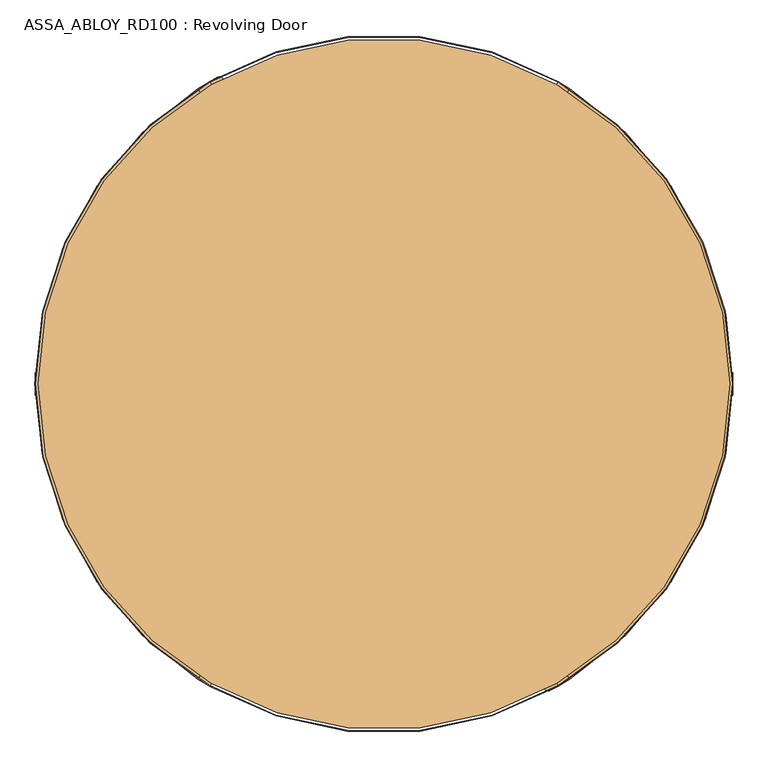
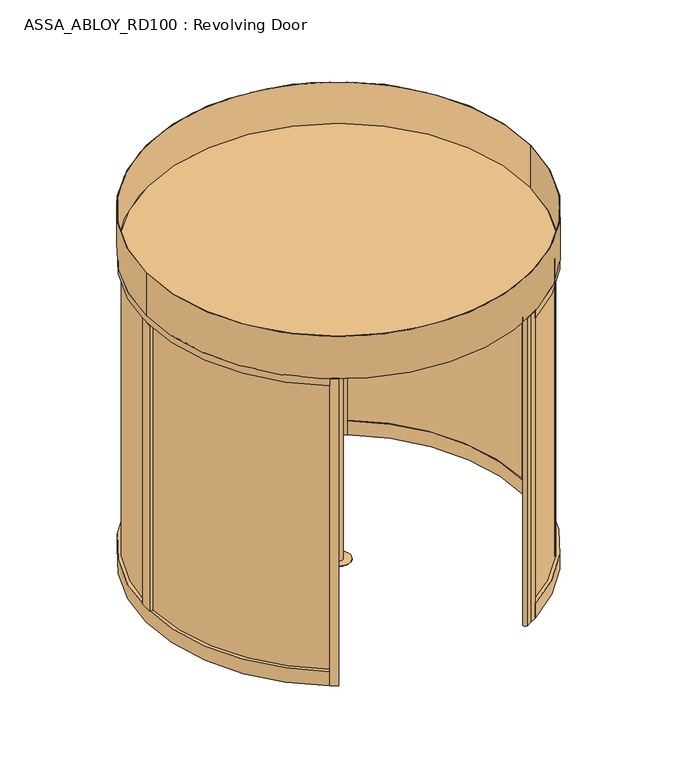
"""IFC4 building model written with IfcOpenShell, lengths in millimetres: door geometry, ASSA_ABLOY_RD100 : Revolving Door."""

from ifc_helpers import new_model, si_unit, point, frame, frame_2d, origin, origin_with_axes, origin_2d, place, context, project, spatial, polyline, circle_curve, ellipse_curve, trimmed, segment, composite_curve, outline, extrude, source, transform, mapped, element, save
from ifc_brep_helpers import plane_surface, cylinder_surface, advanced_brep


def assa_abloy_rd100_revolving_door_0bf3d5e2(model_context):
    return source(origin(), model_context, "Body", "SolidModel", [
        advanced_brep(
        [(-33.0, 20.0, 28.0), (-33.0, -20.0, 28.0), (-1446.0, -20.0, 28.0), (-1454.0, -12.0, 28.0), (-1454.0, 12.0, 28.0), (-1446.0, 20.0, 28.0), (-33.0, 20.0, 110.0), (-1372.0, 20.0, 110.0), (-1372.0, -20.0, 110.0), (-33.0, -20.0, 110.0), (-33.0, -20.0, 2489.0), (-33.0, 20.0, 2489.0), (-33.0, 20.0, 2571.0), (-33.0, -20.0, 2571.0), (-1372.0, -20.0, 2489.0), (-1372.0, 20.0, 2489.0), (-1454.0, -12.0, 2571.0), (-1454.0, 12.0, 2571.0), (-1446.0, 20.0, 2571.0), (-1446.0, -20.0, 2571.0)],
        [
            (0, 1),
            (1, 2),
            (2, 3, circle_curve(frame((-1446.0, -12.0, 28.0), z_axis=(0.0, 0.0, -1.0), x_axis=(0.0, 1.0, 0.0)), 8.0)),
            (3, 4),
            (4, 5, circle_curve(frame((-1446.0, 12.0, 28.0), z_axis=(0.0, 0.0, -1.0), x_axis=(0.0, 1.0, 0.0)), 8.0)),
            (5, 0),
            (6, 7),
            (7, 8),
            (8, 9),
            (9, 6),
            (10, 11),
            (11, 12),
            (12, 13),
            (13, 10),
            (10, 14),
            (14, 15),
            (15, 11),
            (7, 15),
            (14, 8),
            (16, 17),
            (17, 4),
            (3, 16),
            (17, 18, circle_curve(frame((-1446.0, 12.0, 2571.0), z_axis=(0.0, 0.0, -1.0), x_axis=(0.0, 1.0, 0.0)), 8.0)),
            (18, 5),
            (19, 16, circle_curve(frame((-1446.0, -12.0, 2571.0), z_axis=(0.0, 0.0, -1.0), x_axis=(0.0, 1.0, 0.0)), 8.0)),
            (2, 19),
            (6, 0),
            (18, 12),
            (1, 9),
            (13, 19),
        ],
        [
            plane_surface(frame((-1372.0, 20.0, 28.0), z_axis=(0.0, 0.0, -1.0), x_axis=(1.0, 0.0, 0.0))),
            plane_surface(frame((-1372.0, -20.0, 110.0), z_axis=(0.0, 0.0, 1.0), x_axis=(1.0, 0.0, 0.0))),
            plane_surface(frame((-33.0, 0.0, 2571.0), z_axis=(1.0, 0.0, 0.0), x_axis=(0.0, 1.0, 0.0))),
            plane_surface(frame((-33.0, -20.0, 2489.0), z_axis=(0.0, 0.0, -1.0), x_axis=(-1.0, 0.0, 0.0))),
            plane_surface(frame((-1372.0, -20.0, 2571.0), z_axis=(1.0, 0.0, 0.0), x_axis=(0.0, 0.0, -1.0))),
            plane_surface(frame((-1454.0, 12.0, 2571.0), z_axis=(-1.0, 0.0, 0.0), x_axis=(0.0, 0.0, -1.0))),
            cylinder_surface(frame((-1446.0, 12.0, 2571.0), z_axis=(0.0, 0.0, 1.0), x_axis=(0.0, 1.0, 0.0)), 8.0),
            cylinder_surface(frame((-1446.0, -12.0, 2571.0), z_axis=(0.0, 0.0, 1.0), x_axis=(0.0, 1.0, 0.0)), 8.0),
            plane_surface(frame((-1372.0, 20.0, 110.0), z_axis=(0.0, 1.0, 0.0), x_axis=(1.0, 0.0, 0.0))),
            plane_surface(frame((-1372.0, -20.0, 28.0), z_axis=(0.0, -1.0, 0.0), x_axis=(1.0, 0.0, 0.0))),
            plane_surface(frame((-33.0, 0.0, 28.0), z_axis=(1.0, 0.0, 0.0), x_axis=(0.0, 1.0, 0.0))),
            plane_surface(frame((-1454.0, 0.0, 2571.0), z_axis=(0.0, 0.0, 1.0), x_axis=(0.0, 1.0, 0.0))),
        ],
        [
            (0, [[1, 2, 3, 4, 5, 6]]),
            (1, [[7, 8, 9, 10]]),
            (2, [[11, 12, 13, 14]]),
            (3, [[-11, 15, 16, 17]]),
            (4, [[-8, 18, -16, 19]]),
            (5, [[20, 21, -4, 22]]),
            (6, [[23, 24, -5, -21]]),
            (7, [[25, -22, -3, 26]]),
            (8, [[-7, 27, -6, -24, 28, -12, -17, -18]]),
            (9, [[29, -9, -19, -15, -14, 30, -26, -2]]),
            (10, [[-27, -10, -29, -1]]),
            (11, [[-28, -23, -20, -25, -30, -13]]),
        ],
    ),
        extrude(outline(polyline([(-33.0, -17.0), (-26.0, -17.0), (-26.0, -20.0), (-33.0, -20.0), (-33.0, -17.0)])), origin_with_axes(), (0.0, 0.0, 1.0), 2600.0),
        extrude(outline(polyline([(-103.0, -20.0), (-103.0, 20.0), (-33.0, 20.0), (-33.0, -20.0), (-103.0, -20.0)])), frame((0.0, 0.0, 110.0), z_axis=(0.0, 0.0, 1.0), x_axis=(1.0, 0.0, 0.0)), (0.0, 0.0, 1.0), 2379.0),
        extrude(outline(polyline([(-1500.0, 1.7499965), (-1454.0, 1.7499965), (-1454.0, -1.7499965), (-1500.0, -1.7499965), (-1500.0, 1.7499965)])), origin_with_axes(), (0.0, 0.0, 1.0), 2600.0),
        extrude(outline(polyline([(-1500.0, 1.7499965), (-33.0, 1.7499965), (-33.0, -1.7499965), (-1500.0, -1.7499965), (-1500.0, 1.7499965)])), frame((0.0, 0.0, 2570.0), z_axis=(0.0, 0.0, 1.0), x_axis=(1.0, 0.0, 0.0)), (0.0, 0.0, 1.0), 30.0),
        extrude(outline(polyline([(-26.0, 17.0), (-33.0, 17.0), (-33.0, 20.0), (-26.0, 20.0), (-26.0, 17.0)])), origin_with_axes(), (0.0, 0.0, 1.0), 2600.0),
        extrude(outline(polyline([(-1372.0, 1.7499965), (-103.0, 1.7499965), (-103.0, -1.7499965), (-1372.0, -1.7499965), (-1372.0, 1.7499965)])), frame((0.0, 0.0, 110.0), z_axis=(0.0, 0.0, 1.0), x_axis=(1.0, 0.0, 0.0)), (0.0, 0.0, 1.0), 2379.0),
        extrude(outline(polyline([(-1500.0, 1.7499965), (-33.0, 1.7499965), (-33.0, -1.7499965), (-1500.0, -1.7499965), (-1500.0, 1.7499965)])), frame((0.0, 0.0, -2.0), z_axis=(0.0, 0.0, 1.0), x_axis=(1.0, 0.0, 0.0)), (0.0, 0.0, 1.0), 30.0),
        extrude(outline(polyline([(28.0, -1415.4407922), (47.8848654, -1422.768158), (47.8848654, -1426.3412198), (28.0, -1433.6685856), (28.0, -1430.8463846), (33.6340452, -1428.842363), (33.6340452, -1420.2721931), (28.0, -1418.2681716), (28.0, -1415.4407922)]), holes=[polyline([(35.9539462, -1421.126621), (35.9539462, -1428.0034703), (45.4562191, -1424.5546889), (35.9539462, -1421.126621)])]), frame((0.0, -22.0, 0.0), z_axis=(0.0, 1.0, 0.0), x_axis=(0.0, 0.0, 1.0)), (0.0, 0.0, 1.0), 2.0),
        extrude(outline(polyline([(33.6858287, -1397.8758278), (36.999973, -1399.0383674), (38.7709688, -1402.505273), (39.3172847, -1405.2731013), (39.7703904, -1407.7923687), (40.8500765, -1410.1355723), (42.794547, -1410.8009903), (45.0290052, -1409.4442625), (45.8963789, -1405.8556657), (45.2361392, -1401.8761034), (43.5764779, -1398.5386566), (46.7870552, -1398.5386566), (47.804601, -1401.7466447), (48.2162799, -1405.7262069), (46.6239371, -1411.269631), (42.5408079, -1413.4523057), (39.0195296, -1412.1292372), (37.1087183, -1408.061643), (36.6685585, -1405.4931812), (36.2283987, -1403.2405988), (35.2574581, -1401.1977395), (33.3129875, -1400.5271432), (30.8946979, -1401.9330653), (29.9884865, -1405.8660224), (30.6772071, -1409.6772883), (32.6398019, -1413.4523057), (29.2790525, -1413.4523057), (28.0750861, -1409.9051357), (27.6685856, -1405.9747678), (28.147583, -1402.4949163), (29.4810082, -1399.9678813), (31.3944087, -1398.4247329), (33.6858287, -1397.8758278)])), frame((0.0, -22.0, 0.0), z_axis=(0.0, 1.0, 0.0), x_axis=(0.0, 0.0, 1.0)), (0.0, 0.0, 1.0), 2.0),
        extrude(outline(polyline([(33.6858287, -1378.9852056), (36.999973, -1380.1477453), (38.7709688, -1383.6146508), (39.3172847, -1386.3824791), (39.7703904, -1388.9017466), (40.8500765, -1391.2449501), (42.794547, -1391.9103681), (45.0290052, -1390.5536403), (45.8963789, -1386.9650435), (45.2361392, -1382.9854813), (43.5764779, -1379.6480344), (46.7870552, -1379.6480344), (47.804601, -1382.8560225), (48.2162799, -1386.8355848), (46.6239371, -1392.3790088), (42.5408079, -1394.5616835), (39.0195296, -1393.238615), (37.1087183, -1389.1710208), (36.6685585, -1386.602559), (36.2283987, -1384.3499766), (35.2574581, -1382.3071174), (33.3129875, -1381.636521), (30.8946979, -1383.0424431), (29.9884865, -1386.9754002), (30.6772071, -1390.7866661), (32.6398019, -1394.5616835), (29.2790525, -1394.5616835), (28.0750861, -1391.0145135), (27.6685856, -1387.0841456), (28.147583, -1383.6042941), (29.4810082, -1381.0772591), (31.3944087, -1379.5341107), (33.6858287, -1378.9852056)])), frame((0.0, -22.0, 0.0), z_axis=(0.0, 1.0, 0.0), x_axis=(0.0, 0.0, 1.0)), (0.0, 0.0, 1.0), 2.0),
        extrude(outline(polyline([(28.0, -1358.7689257), (47.8848654, -1366.0962915), (47.8848654, -1369.6693533), (28.0, -1376.996719), (28.0, -1374.1745181), (33.6340452, -1372.1704965), (33.6340452, -1363.6003266), (28.0, -1361.596305), (28.0, -1358.7689257)]), holes=[polyline([(35.9539462, -1364.4547544), (35.9539462, -1371.3316037), (45.4562191, -1367.8828224), (35.9539462, -1364.4547544)])]), frame((0.0, -22.0, 0.0), z_axis=(0.0, 1.0, 0.0), x_axis=(0.0, 0.0, 1.0)), (0.0, 0.0, 1.0), 2.0),
        extrude(outline(polyline([(28.0, -1330.2672852), (47.8848654, -1337.594651), (47.8848654, -1341.1677128), (28.0, -1348.4950786), (28.0, -1345.6728776), (33.6340452, -1343.668856), (33.6340452, -1335.0986861), (28.0, -1333.0946645), (28.0, -1330.2672852)]), holes=[polyline([(35.9539462, -1335.953114), (35.9539462, -1342.8299633), (45.4562191, -1339.3811819), (35.9539462, -1335.953114)])]), frame((0.0, -22.0, 0.0), z_axis=(0.0, 1.0, 0.0), x_axis=(0.0, 0.0, 1.0)), (0.0, 0.0, 1.0), 2.0),
        extrude(outline(polyline([(34.1311668, -1312.0394919), (37.561824, -1313.2097991), (39.4441543, -1316.4100196), (41.0597997, -1314.4370681), (43.4521975, -1313.696564), (45.5960346, -1314.2014532), (47.0615077, -1315.824866), (47.7269258, -1317.9402222), (47.8848654, -1321.2673123), (47.8848654, -1327.2845554), (28.0, -1327.2845554), (28.0, -1320.1177185), (28.3754304, -1316.6482237), (29.6311804, -1314.1419022), (31.5083324, -1312.6091105), (34.1311668, -1312.0394919)]), holes=[polyline([(41.5595105, -1317.6631804), (39.9309193, -1321.0498216), (39.9309193, -1324.63324), (45.5649645, -1324.63324), (45.5649645, -1321.3294525), (45.4795217, -1319.0069623), (41.5595105, -1317.6631804)]), polyline([(34.0172431, -1314.6908073), (32.3187442, -1315.0507027), (31.148437, -1316.1821722), (30.4985541, -1318.0645026), (30.319901, -1321.0083948), (30.319901, -1324.63324), (37.6110183, -1324.63324), (37.6110183, -1320.3352092), (37.5126296, -1318.0308433), (37.0828266, -1316.4203763), (35.8995735, -1315.0636485), (34.0172431, -1314.6908073)])]), frame((0.0, -22.0, 0.0), z_axis=(0.0, 1.0, 0.0), x_axis=(0.0, 0.0, 1.0)), (0.0, 0.0, 1.0), 2.0),
        extrude(outline(polyline([(28.0, -1295.8001851), (30.319901, -1295.8001851), (30.319901, -1305.7426179), (47.8848654, -1305.7426179), (47.8848654, -1308.3939332), (28.0, -1308.3939332), (28.0, -1295.8001851)])), frame((0.0, -22.0, 0.0), z_axis=(0.0, 1.0, 0.0), x_axis=(0.0, 0.0, 1.0)), (0.0, 0.0, 1.0), 2.0),
        extrude(outline(polyline([(45.5390727, -1278.3905712), (47.5197917, -1281.2464314), (48.2162799, -1285.0343947), (47.5275593, -1288.7861095), (45.5390727, -1291.6678615), (42.2611769, -1293.5113543), (37.9372544, -1294.143113), (33.5770834, -1293.5035867), (30.3561494, -1291.6782182), (28.3573062, -1288.7990554), (27.6685856, -1285.0343947), (28.3443603, -1281.2593773), (30.3561494, -1278.3905712), (33.571905, -1276.5677918), (37.9372544, -1275.9153197), (42.292247, -1276.554846), (45.5390727, -1278.3905712)]), holes=[polyline([(37.9372544, -1278.5666351), (32.0339349, -1280.3169175), (29.9884865, -1285.024038), (32.0339349, -1289.7337477), (37.9372544, -1291.4917976), (43.8250388, -1289.7674069), (45.8963789, -1285.024038), (43.8250388, -1280.2962041), (37.9372544, -1278.5666351)])]), frame((0.0, -22.0, 0.0), z_axis=(0.0, 1.0, 0.0), x_axis=(0.0, 0.0, 1.0)), (0.0, 0.0, 1.0), 2.0),
        extrude(outline(polyline([(47.8848654, -1257.0246975), (47.8848654, -1260.1938479), (38.9884595, -1265.6259375), (47.8848654, -1271.1149889), (47.8848654, -1274.2582476), (36.4407111, -1266.9671302), (28.0, -1266.9671302), (28.0, -1264.3158148), (36.720342, -1264.3158148), (47.8848654, -1257.0246975)])), frame((0.0, -22.0, 0.0), z_axis=(0.0, 1.0, 0.0), x_axis=(0.0, 0.0, 1.0)), (0.0, 0.0, 1.0), 2.0),
        extrude(outline(polyline([(28.0, -1213.9153197), (28.0, -1211.0879404), (33.6340452, -1209.0839188), (33.6340452, -1200.5137489), (28.0, -1198.5097273), (28.0, -1195.6875264), (47.8848654, -1203.0148921), (47.8848654, -1206.5879539), (28.0, -1213.9153197)]), holes=[polyline([(35.9539462, -1208.229491), (45.4562191, -1204.801423), (35.9539462, -1201.3526417), (35.9539462, -1208.229491)])]), frame((0.0, 20.0, 0.0), z_axis=(0.0, 1.0, 0.0), x_axis=(0.0, 0.0, 1.0)), (0.0, 0.0, 1.0), 2.0),
        extrude(outline(polyline([(33.6858287, -1231.4802842), (31.3944087, -1230.931379), (29.4810082, -1229.3882306), (28.147583, -1226.8611956), (27.6685856, -1223.3813442), (28.0750861, -1219.4509762), (29.2790525, -1215.9038062), (32.6398019, -1215.9038062), (30.6772071, -1219.6788237), (29.9884865, -1223.4900895), (30.8946979, -1227.4230466), (33.3129875, -1228.8289688), (35.2574581, -1228.1583724), (36.2283987, -1226.1155132), (36.6685585, -1223.8629308), (37.1087183, -1221.294469), (39.0195296, -1217.2268747), (42.5408079, -1215.9038062), (46.6239371, -1218.0864809), (48.2162799, -1223.629905), (47.804601, -1227.6094673), (46.7870552, -1230.8174553), (43.5764779, -1230.8174553), (45.2361392, -1227.4800085), (45.8963789, -1223.5004462), (45.0290052, -1219.9118494), (42.794547, -1218.5551216), (40.8500765, -1219.2205396), (39.7703904, -1221.5637432), (39.3172847, -1224.0830106), (38.7709688, -1226.8508389), (36.999973, -1230.3177445), (33.6858287, -1231.4802842)])), frame((0.0, 20.0, 0.0), z_axis=(0.0, 1.0, 0.0), x_axis=(0.0, 0.0, 1.0)), (0.0, 0.0, 1.0), 2.0),
        extrude(outline(polyline([(33.6858287, -1250.3709063), (31.3944087, -1249.8220012), (29.4810082, -1248.2788528), (28.147583, -1245.7518178), (27.6685856, -1242.2719663), (28.0750861, -1238.3415984), (29.2790525, -1234.7944284), (32.6398019, -1234.7944284), (30.6772071, -1238.5694458), (29.9884865, -1242.3807117), (30.8946979, -1246.3136688), (33.3129875, -1247.7195909), (35.2574581, -1247.0489946), (36.2283987, -1245.0061353), (36.6685585, -1242.7535529), (37.1087183, -1240.1850911), (39.0195296, -1236.1174969), (42.5408079, -1234.7944284), (46.6239371, -1236.9771031), (48.2162799, -1242.5205272), (47.804601, -1246.5000894), (46.7870552, -1249.7080775), (43.5764779, -1249.7080775), (45.2361392, -1246.3706307), (45.8963789, -1242.3910684), (45.0290052, -1238.8024716), (42.794547, -1237.4457438), (40.8500765, -1238.1111618), (39.7703904, -1240.4543654), (39.3172847, -1242.9736328), (38.7709688, -1245.7414611), (36.999973, -1249.2083667), (33.6858287, -1250.3709063)])), frame((0.0, 20.0, 0.0), z_axis=(0.0, 1.0, 0.0), x_axis=(0.0, 0.0, 1.0)), (0.0, 0.0, 1.0), 2.0),
        extrude(outline(polyline([(28.0, -1270.5871862), (28.0, -1267.7598069), (33.6340452, -1265.7557853), (33.6340452, -1257.1856154), (28.0, -1255.1815938), (28.0, -1252.3593929), (47.8848654, -1259.6867587), (47.8848654, -1263.2598204), (28.0, -1270.5871862)]), holes=[polyline([(35.9539462, -1264.9013575), (45.4562191, -1261.4732895), (35.9539462, -1258.0245082), (35.9539462, -1264.9013575)])]), frame((0.0, 20.0, 0.0), z_axis=(0.0, 1.0, 0.0), x_axis=(0.0, 0.0, 1.0)), (0.0, 0.0, 1.0), 2.0),
        extrude(outline(polyline([(28.0, -1299.0888267), (28.0, -1296.2614474), (33.6340452, -1294.2574258), (33.6340452, -1285.6872559), (28.0, -1283.6832343), (28.0, -1280.8610334), (47.8848654, -1288.1883991), (47.8848654, -1291.7614609), (28.0, -1299.0888267)]), holes=[polyline([(35.9539462, -1293.402998), (45.4562191, -1289.97493), (35.9539462, -1286.5261487), (35.9539462, -1293.402998)])]), frame((0.0, 20.0, 0.0), z_axis=(0.0, 1.0, 0.0), x_axis=(0.0, 0.0, 1.0)), (0.0, 0.0, 1.0), 2.0),
        extrude(outline(polyline([(34.1311668, -1317.31662), (31.5083324, -1316.7470015), (29.6311804, -1315.2142098), (28.3754304, -1312.7078882), (28.0, -1309.2383934), (28.0, -1302.0715565), (47.8848654, -1302.0715565), (47.8848654, -1308.0887996), (47.7269258, -1311.4158898), (47.0615077, -1313.5312459), (45.5960346, -1315.1546587), (43.4521975, -1315.6595479), (41.0597997, -1314.9190438), (39.4441543, -1312.9460923), (37.561824, -1316.1463128), (34.1311668, -1317.31662)]), holes=[polyline([(41.5595105, -1311.6929315), (45.4795217, -1310.3491496), (45.5649645, -1308.0266594), (45.5649645, -1304.7228719), (39.9309193, -1304.7228719), (39.9309193, -1308.3062904), (41.5595105, -1311.6929315)]), polyline([(34.0172431, -1314.6653046), (35.8995735, -1314.2924634), (37.0828266, -1312.9357356), (37.5126296, -1311.3252686), (37.6110183, -1309.0209027), (37.6110183, -1304.7228719), (30.319901, -1304.7228719), (30.319901, -1308.3477172), (30.4985541, -1311.2916094), (31.148437, -1313.1739397), (32.3187442, -1314.3054093), (34.0172431, -1314.6653046)])]), frame((0.0, 20.0, 0.0), z_axis=(0.0, 1.0, 0.0), x_axis=(0.0, 0.0, 1.0)), (0.0, 0.0, 1.0), 2.0),
        extrude(outline(polyline([(28.0, -1333.5559268), (28.0, -1320.9621787), (47.8848654, -1320.9621787), (47.8848654, -1323.6134941), (30.319901, -1323.6134941), (30.319901, -1333.5559268), (28.0, -1333.5559268)])), frame((0.0, 20.0, 0.0), z_axis=(0.0, 1.0, 0.0), x_axis=(0.0, 0.0, 1.0)), (0.0, 0.0, 1.0), 2.0),
        extrude(outline(polyline([(45.5390727, -1350.9655408), (42.292247, -1352.801266), (37.9372544, -1353.4407922), (33.571905, -1352.7883201), (30.3561494, -1350.9655408), (28.3443603, -1348.0967347), (27.6685856, -1344.3217172), (28.3573062, -1340.5570565), (30.3561494, -1337.6778937), (33.5770834, -1335.8525252), (37.9372544, -1335.2129989), (42.2611769, -1335.8447577), (45.5390727, -1337.6882504), (47.5275593, -1340.5700024), (48.2162799, -1344.3217172), (47.5197917, -1348.1096805), (45.5390727, -1350.9655408)]), holes=[polyline([(37.9372544, -1350.7894769), (43.8250388, -1349.0599078), (45.8963789, -1344.3320739), (43.8250388, -1339.588705), (37.9372544, -1337.8643143), (32.0339349, -1339.6223643), (29.9884865, -1344.3320739), (32.0339349, -1349.0391944), (37.9372544, -1350.7894769)])]), frame((0.0, 20.0, 0.0), z_axis=(0.0, 1.0, 0.0), x_axis=(0.0, 0.0, 1.0)), (0.0, 0.0, 1.0), 2.0),
        extrude(outline(polyline([(47.8848654, -1372.3314144), (36.720342, -1365.0402971), (28.0, -1365.0402971), (28.0, -1362.3889817), (36.4407111, -1362.3889817), (47.8848654, -1355.0978644), (47.8848654, -1358.241123), (38.9884595, -1363.7301744), (47.8848654, -1369.162264), (47.8848654, -1372.3314144)])), frame((0.0, 20.0, 0.0), z_axis=(0.0, 1.0, 0.0), x_axis=(0.0, 0.0, 1.0)), (0.0, 0.0, 1.0), 2.0),
        advanced_brep(
        [(-1400.5, 20.0, 2544.5), (-1425.5, 20.0, 2544.5), (-1400.5, 80.0, 2544.5), (-1425.5, 80.0, 2544.5), (-1400.5, 80.0, 55.0), (-1425.5, 80.0, 55.0), (-1400.5, 20.0, 55.0), (-1425.5, 20.0, 55.0)],
        [
            (0, 1, circle_curve(frame((-1413.0, 20.0, 2544.5), z_axis=(0.0, -1.0, 0.0), x_axis=(-1.0, 0.0, 0.0)), 12.5)),
            (1, 0, circle_curve(frame((-1413.0, 20.0, 2544.5), z_axis=(0.0, -1.0, 0.0), x_axis=(-1.0, 0.0, 0.0)), 12.5)),
            (0, 2),
            (2, 3, ellipse_curve(frame((-1413.0, 80.0, 2544.5), z_axis=(0.0, -0.7071067811865475, 0.7071067811865475), x_axis=(0.0, -0.7071067811865476, -0.7071067811865474)), 17.6776695, 12.5)),
            (3, 1),
            (3, 2, ellipse_curve(frame((-1413.0, 80.0, 2544.5), z_axis=(0.0, -0.7071067811865475, 0.7071067811865475), x_axis=(0.0, -0.7071067811865476, -0.7071067811865474)), 17.6776695, 12.5)),
            (2, 4),
            (4, 5, ellipse_curve(frame((-1413.0, 80.0, 55.0), z_axis=(0.0, 0.7071067811865475, 0.7071067811865475), x_axis=(0.0, -0.7071067811865474, 0.7071067811865476)), 17.6776695, 12.5)),
            (5, 3),
            (5, 4, ellipse_curve(frame((-1413.0, 80.0, 55.0), z_axis=(0.0, 0.7071067811865475, 0.7071067811865475), x_axis=(0.0, -0.7071067811865474, 0.7071067811865476)), 17.6776695, 12.5)),
            (6, 7, circle_curve(frame((-1413.0, 20.0, 55.0), z_axis=(0.0, -1.0, 0.0), x_axis=(-1.0, 0.0, 0.0)), 12.5)),
            (7, 6, circle_curve(frame((-1413.0, 20.0, 55.0), z_axis=(0.0, -1.0, 0.0), x_axis=(-1.0, 0.0, 0.0)), 12.5)),
            (4, 6),
            (7, 5),
        ],
        [
            plane_surface(frame((-1413.0, 20.0, 2544.5), z_axis=(0.0, -1.0, 0.0), x_axis=(-1.0, 0.0, 0.0))),
            cylinder_surface(frame((-1413.0, 20.0, 2544.5), z_axis=(0.0, -1.0, 0.0), x_axis=(-1.0, 0.0, 0.0)), 12.5),
            cylinder_surface(frame((-1413.0, 80.0, 2544.5), z_axis=(0.0, 0.0, 1.0), x_axis=(-1.0, 0.0, 0.0)), 12.5),
            plane_surface(frame((-1413.0, 20.0, 55.0), z_axis=(0.0, -1.0, 0.0), x_axis=(-1.0, 0.0, 0.0))),
            cylinder_surface(frame((-1413.0, 80.0, 55.0), z_axis=(0.0, 1.0, 0.0), x_axis=(-1.0, 0.0, 0.0)), 12.5),
        ],
        [
            (0, [[1, 2]]),
            (1, [[-1, 3, 4, 5]]),
            (1, [[-2, -5, 6, -3]]),
            (2, [[-4, 7, 8, 9]]),
            (2, [[-6, -9, 10, -7]]),
            (3, [[11, 12]]),
            (4, [[-8, 13, -12, 14]]),
            (4, [[-10, -14, -11, -13]]),
        ],
    ),
        extrude(outline(composite_curve([segment(polyline([(-750.0, 1299.0381057), (-770.0, 1333.6791218)]), True, "CONTINUOUS"), segment(trimmed(circle_curve(origin_2d(), 1540.0), [point((-770.0, 1333.6791218))], [point((-735.0991998, 1353.2291626))], False, "CARTESIAN"), True, "CONTINUOUS"), segment(trimmed(circle_curve(frame_2d((-725.5459259, 1335.642735)), 20.0136823), [point((-735.0991998, 1353.2291626))], [point((-715.0922698, 1318.5761433))], False, "CARTESIAN"), True, "CONTINUOUS"), segment(trimmed(circle_curve(origin_2d(), 1500.0), [point((-715.0922698, 1318.5761433))], [point((-750.0, 1299.0381057))], True, "CARTESIAN"), True, "CONTINUOUS")], self_intersect=False)), origin_with_axes(), (0.0, 0.0, 1.0), 2600.0),
        extrude(outline(composite_curve([segment(polyline([(750.0, -1299.0381057), (770.0, -1333.6791218)]), True, "CONTINUOUS"), segment(trimmed(circle_curve(origin_2d(), 1540.0), [point((770.0, -1333.6791218))], [point((735.0991998, -1353.2291626))], False, "CARTESIAN"), True, "CONTINUOUS"), segment(trimmed(circle_curve(frame_2d((725.5459259, -1335.642735)), 20.0136823), [point((735.0991998, -1353.2291626))], [point((715.0922698, -1318.5761433))], False, "CARTESIAN"), True, "CONTINUOUS"), segment(trimmed(circle_curve(origin_2d(), 1500.0), [point((715.0922698, -1318.5761433))], [point((750.0, -1299.0381057))], True, "CARTESIAN"), True, "CONTINUOUS")], self_intersect=False)), origin_with_axes(), (0.0, 0.0, 1.0), 2600.0),
        extrude(outline(composite_curve([segment(trimmed(circle_curve(origin_2d(), 1526.0), [point((-1526.0, 0.0))], [point((1526.0, 0.0))], False, "CARTESIAN"), True, "CONTINUOUS"), segment(trimmed(circle_curve(origin_2d(), 1526.0), [point((1526.0, 0.0))], [point((-1526.0, 0.0))], False, "CARTESIAN"), True, "CONTINUOUS")], self_intersect=False)), frame((0.0, 0.0, 2600.0), z_axis=(0.0, 0.0, 1.0), x_axis=(1.0, 0.0, 0.0)), (0.0, 0.0, 1.0), 16.0),
        extrude(outline(composite_curve([segment(polyline([(-821.3768867, 1302.4599245), (-801.361284, 1267.7918838)]), True, "CONTINUOUS"), segment(trimmed(circle_curve(frame_2d((0.0, -0.2065754)), 1500.0), [point((-801.361284, 1267.7918838))], [point((-801.361284, -1268.2050346))], True, "CARTESIAN"), True, "CONTINUOUS"), segment(polyline([(-801.361284, -1268.2050346), (-821.3768867, -1302.8730753)]), True, "CONTINUOUS"), segment(trimmed(circle_curve(frame_2d((0.0, -0.2065754)), 1540.0), [point((-821.3768867, -1302.8730753))], [point((-821.3768867, 1302.4599245))], False, "CARTESIAN"), True, "CONTINUOUS")], self_intersect=False)), frame((0.0, 0.0, 2543.0), z_axis=(0.0, 0.0, 1.0), x_axis=(1.0, 0.0, 0.0)), (0.0, 0.0, 1.0), 60.0),
        extrude(outline(composite_curve([segment(polyline([(-821.3768867, -1302.8730753), (-801.361284, -1268.2050346)]), True, "CONTINUOUS"), segment(trimmed(circle_curve(frame_2d((0.0, -0.2065754)), 1500.0), [point((-801.361284, -1268.2050346))], [point((-750.0, -1299.2446811))], True, "CARTESIAN"), True, "CONTINUOUS"), segment(polyline([(-750.0, -1299.2446811), (-770.0, -1333.8856972)]), True, "CONTINUOUS"), segment(trimmed(circle_curve(frame_2d((0.0, -0.2065754)), 1540.0), [point((-770.0, -1333.8856972))], [point((-821.3768867, -1302.8730753))], False, "CARTESIAN"), True, "CONTINUOUS")], self_intersect=False)), frame((0.0, 0.0, 3.0), z_axis=(0.0, 0.0, 1.0), x_axis=(1.0, 0.0, 0.0)), (0.0, 0.0, 1.0), 2600.0),
        extrude(outline(composite_curve([segment(polyline([(-770.0, 1333.4725464), (-750.0, 1298.8315303)]), True, "CONTINUOUS"), segment(trimmed(circle_curve(frame_2d((0.0, -0.2065754)), 1500.0), [point((-750.0, 1298.8315303))], [point((-801.361284, 1267.7918838))], True, "CARTESIAN"), True, "CONTINUOUS"), segment(polyline([(-801.361284, 1267.7918838), (-821.3768867, 1302.4599245)]), True, "CONTINUOUS"), segment(trimmed(circle_curve(frame_2d((0.0, -0.2065754)), 1540.0), [point((-821.3768867, 1302.4599245))], [point((-770.0, 1333.4725464))], False, "CARTESIAN"), True, "CONTINUOUS")], self_intersect=False)), frame((0.0, 0.0, 3.0), z_axis=(0.0, 0.0, 1.0), x_axis=(1.0, 0.0, 0.0)), (0.0, 0.0, 1.0), 2600.0),
        extrude(outline(composite_curve([segment(polyline([(-1512.1736011, -50.2065754), (-1504.1692059, -50.2065754)]), True, "CONTINUOUS"), segment(trimmed(circle_curve(frame_2d((0.0, -0.2065754)), 1505.0), [point((-1504.1692059, -50.2065754))], [point((-803.8632798, -1272.5386183))], True, "CARTESIAN"), True, "CONTINUOUS"), segment(polyline([(-803.8632798, -1272.5386183), (-807.8664455, -1279.4723047)]), True, "CONTINUOUS"), segment(trimmed(circle_curve(frame_2d((0.0, -0.2065754)), 1513.0), [point((-807.8664455, -1279.4723047))], [point((-1512.1736011, -50.2065754))], False, "CARTESIAN"), True, "CONTINUOUS")], self_intersect=False)), frame((0.0, 0.0, 123.0), z_axis=(0.0, 0.0, 1.0), x_axis=(1.0, 0.0, 0.0)), (0.0, 0.0, 1.0), 2420.0),
        extrude(outline(composite_curve([segment(polyline([(-807.8664455, 1279.0591539), (-803.8632798, 1272.1254675)]), True, "CONTINUOUS"), segment(trimmed(circle_curve(frame_2d((0.0, -0.2065754)), 1505.0), [point((-803.8632798, 1272.1254675))], [point((-1504.1692059, 49.7934246))], True, "CARTESIAN"), True, "CONTINUOUS"), segment(polyline([(-1504.1692059, 49.7934246), (-1512.1736011, 49.7934246)]), True, "CONTINUOUS"), segment(trimmed(circle_curve(frame_2d((0.0, -0.2065754)), 1513.0), [point((-1512.1736011, 49.7934246))], [point((-807.8664455, 1279.0591539))], False, "CARTESIAN"), True, "CONTINUOUS")], self_intersect=False)), frame((0.0, 0.0, 123.0), z_axis=(0.0, 0.0, 1.0), x_axis=(1.0, 0.0, 0.0)), (0.0, 0.0, 1.0), 2420.0),
        extrude(outline(polyline([(-1540.0, -50.2065754), (-1540.0, 49.7934246), (-1500.0, 49.7934246), (-1500.0, -50.2065754), (-1540.0, -50.2065754)])), frame((0.0, 0.0, 123.0), z_axis=(0.0, 0.0, 1.0), x_axis=(1.0, 0.0, 0.0)), (0.0, 0.0, 1.0), 2420.0),
        extrude(outline(composite_curve([segment(polyline([(-821.3768867, 1302.4599245), (-801.361284, 1267.7918838)]), True, "CONTINUOUS"), segment(trimmed(circle_curve(frame_2d((0.0, -0.2065754)), 1500.0), [point((-801.361284, 1267.7918838))], [point((-801.361284, -1268.2050346))], True, "CARTESIAN"), True, "CONTINUOUS"), segment(polyline([(-801.361284, -1268.2050346), (-821.3768867, -1302.8730753)]), True, "CONTINUOUS"), segment(trimmed(circle_curve(frame_2d((0.0, -0.2065754)), 1540.0), [point((-821.3768867, -1302.8730753))], [point((-821.3768867, 1302.4599245))], False, "CARTESIAN"), True, "CONTINUOUS")], self_intersect=False)), frame((0.0, 0.0, 3.0), z_axis=(0.0, 0.0, 1.0), x_axis=(1.0, 0.0, 0.0)), (0.0, 0.0, 1.0), 120.0),
        extrude(outline(composite_curve([segment(trimmed(circle_curve(origin_2d(), 1540.0), [point((821.3768867, 1302.6664999))], [point((821.3768867, -1302.6664999))], False, "CARTESIAN"), True, "CONTINUOUS"), segment(polyline([(821.3768867, -1302.6664999), (801.361284, -1267.9984592)]), True, "CONTINUOUS"), segment(trimmed(circle_curve(origin_2d(), 1500.0), [point((801.361284, -1267.9984592))], [point((801.361284, 1267.9984592))], True, "CARTESIAN"), True, "CONTINUOUS"), segment(polyline([(801.361284, 1267.9984592), (821.3768867, 1302.6664999)]), True, "CONTINUOUS")], self_intersect=False)), frame((0.0, 0.0, 2540.0), z_axis=(0.0, 0.0, 1.0), x_axis=(1.0, 0.0, 0.0)), (0.0, 0.0, 1.0), 60.0),
        extrude(outline(composite_curve([segment(trimmed(circle_curve(origin_2d(), 1540.0), [point((821.3768867, -1302.6664999))], [point((770.0, -1333.6791218))], False, "CARTESIAN"), True, "CONTINUOUS"), segment(polyline([(770.0, -1333.6791218), (750.0, -1299.0381057)]), True, "CONTINUOUS"), segment(trimmed(circle_curve(origin_2d(), 1500.0), [point((750.0, -1299.0381057))], [point((801.361284, -1267.9984592))], True, "CARTESIAN"), True, "CONTINUOUS"), segment(polyline([(801.361284, -1267.9984592), (821.3768867, -1302.6664999)]), True, "CONTINUOUS")], self_intersect=False)), origin_with_axes(), (0.0, 0.0, 1.0), 2600.0),
        extrude(outline(composite_curve([segment(trimmed(circle_curve(origin_2d(), 1540.0), [point((770.0, 1333.6791218))], [point((821.3768867, 1302.6664999))], False, "CARTESIAN"), True, "CONTINUOUS"), segment(polyline([(821.3768867, 1302.6664999), (801.361284, 1267.9984592)]), True, "CONTINUOUS"), segment(trimmed(circle_curve(origin_2d(), 1500.0), [point((801.361284, 1267.9984592))], [point((750.0, 1299.0381057))], True, "CARTESIAN"), True, "CONTINUOUS"), segment(polyline([(750.0, 1299.0381057), (770.0, 1333.6791218)]), True, "CONTINUOUS")], self_intersect=False)), origin_with_axes(), (0.0, 0.0, 1.0), 2600.0),
        extrude(outline(composite_curve([segment(trimmed(circle_curve(origin_2d(), 1513.0), [point((1512.1736011, -50.0))], [point((807.8664455, -1279.2657293))], False, "CARTESIAN"), True, "CONTINUOUS"), segment(polyline([(807.8664455, -1279.2657293), (803.8632798, -1272.3320429)]), True, "CONTINUOUS"), segment(trimmed(circle_curve(origin_2d(), 1505.0), [point((803.8632798, -1272.3320429))], [point((1504.1692059, -50.0))], True, "CARTESIAN"), True, "CONTINUOUS"), segment(polyline([(1504.1692059, -50.0), (1512.1736011, -50.0)]), True, "CONTINUOUS")], self_intersect=False)), frame((0.0, 0.0, 120.0), z_axis=(0.0, 0.0, 1.0), x_axis=(1.0, 0.0, 0.0)), (0.0, 0.0, 1.0), 2420.0),
        extrude(outline(composite_curve([segment(trimmed(circle_curve(origin_2d(), 1513.0), [point((807.8664455, 1279.2657293))], [point((1512.1736011, 50.0))], False, "CARTESIAN"), True, "CONTINUOUS"), segment(polyline([(1512.1736011, 50.0), (1504.1692059, 50.0)]), True, "CONTINUOUS"), segment(trimmed(circle_curve(origin_2d(), 1505.0), [point((1504.1692059, 50.0))], [point((803.8632798, 1272.3320429))], True, "CARTESIAN"), True, "CONTINUOUS"), segment(polyline([(803.8632798, 1272.3320429), (807.8664455, 1279.2657293)]), True, "CONTINUOUS")], self_intersect=False)), frame((0.0, 0.0, 120.0), z_axis=(0.0, 0.0, 1.0), x_axis=(1.0, 0.0, 0.0)), (0.0, 0.0, 1.0), 2420.0),
        extrude(outline(polyline([(1540.0, -50.0), (1500.0, -50.0), (1500.0, 50.0), (1540.0, 50.0), (1540.0, -50.0)])), frame((0.0, 0.0, 120.0), z_axis=(0.0, 0.0, 1.0), x_axis=(1.0, 0.0, 0.0)), (0.0, 0.0, 1.0), 2420.0),
        extrude(outline(composite_curve([segment(trimmed(circle_curve(origin_2d(), 1540.0), [point((821.3768867, 1302.6664999))], [point((821.3768867, -1302.6664999))], False, "CARTESIAN"), True, "CONTINUOUS"), segment(polyline([(821.3768867, -1302.6664999), (801.361284, -1267.9984592)]), True, "CONTINUOUS"), segment(trimmed(circle_curve(origin_2d(), 1500.0), [point((801.361284, -1267.9984592))], [point((801.361284, 1267.9984592))], True, "CARTESIAN"), True, "CONTINUOUS"), segment(polyline([(801.361284, 1267.9984592), (821.3768867, 1302.6664999)]), True, "CONTINUOUS")], self_intersect=False)), origin_with_axes(), (0.0, 0.0, 1.0), 120.0),
        extrude(outline(composite_curve([segment(trimmed(circle_curve(origin_2d(), 1541.0), [point((-1541.0, 0.0))], [point((1541.0, 0.0))], False, "CARTESIAN"), True, "CONTINUOUS"), segment(trimmed(circle_curve(origin_2d(), 1541.0), [point((1541.0, 0.0))], [point((-1541.0, 0.0))], False, "CARTESIAN"), True, "CONTINUOUS")], self_intersect=False), holes=[composite_curve([segment(trimmed(circle_curve(origin_2d(), 1537.0), [point((-1537.0, 0.0))], [point((1537.0, 0.0))], True, "CARTESIAN"), True, "CONTINUOUS"), segment(trimmed(circle_curve(origin_2d(), 1537.0), [point((1537.0, 0.0))], [point((-1537.0, 0.0))], True, "CARTESIAN"), True, "CONTINUOUS")], self_intersect=False)]), frame((0.0, 0.0, 2600.0), z_axis=(0.0, 0.0, 1.0), x_axis=(1.0, 0.0, 0.0)), (0.0, 0.0, 1.0), 360.0),
        extrude(outline(composite_curve([segment(trimmed(circle_curve(origin_2d(), 34.0), [point((-34.0, 0.0))], [point((34.0, 0.0))], False, "CARTESIAN"), True, "CONTINUOUS"), segment(trimmed(circle_curve(origin_2d(), 34.0), [point((34.0, 0.0))], [point((-34.0, 0.0))], False, "CARTESIAN"), True, "CONTINUOUS")], self_intersect=False)), origin_with_axes(), (0.0, 0.0, 1.0), 2600.0),
        extrude(outline(composite_curve([segment(trimmed(circle_curve(origin_2d(), 94.0), [point((-94.0, 0.0))], [point((94.0, 0.0))], False, "CARTESIAN"), True, "CONTINUOUS"), segment(trimmed(circle_curve(origin_2d(), 94.0), [point((94.0, 0.0))], [point((-94.0, 0.0))], False, "CARTESIAN"), True, "CONTINUOUS")], self_intersect=False)), origin_with_axes(), (0.0, 0.0, 1.0), 3.0),
    ])


if __name__ == "__main__":
    model = new_model("IFC4")
    model_context = context("Model", 3, world=origin())
    ifc_project = project(units=[si_unit("LENGTHUNIT", "METRE", prefix="MILLI")], contexts=[model_context])
    site = spatial("IfcSite", under=ifc_project)
    building = spatial("IfcBuilding", under=site)
    placement = place(None, origin())
    assa_abloy_rd100_revolving_door_shape = assa_abloy_rd100_revolving_door_0bf3d5e2(model_context)
    element("IfcDoor", 1, ObjectType="ASSA_ABLOY_RD100 : Revolving Door", at=placement, inside=building, context=model_context, shape_type="MappedRepresentation", body=[
        mapped(assa_abloy_rd100_revolving_door_shape, transform((0.0, 0.0, 0.0), x_axis=(1.0, 0.0, 0.0), y_axis=(0.0, 1.0, 0.0), z_axis=(0.0, 0.0, 1.0))),
    ])
    save(model, "model.ifc")
